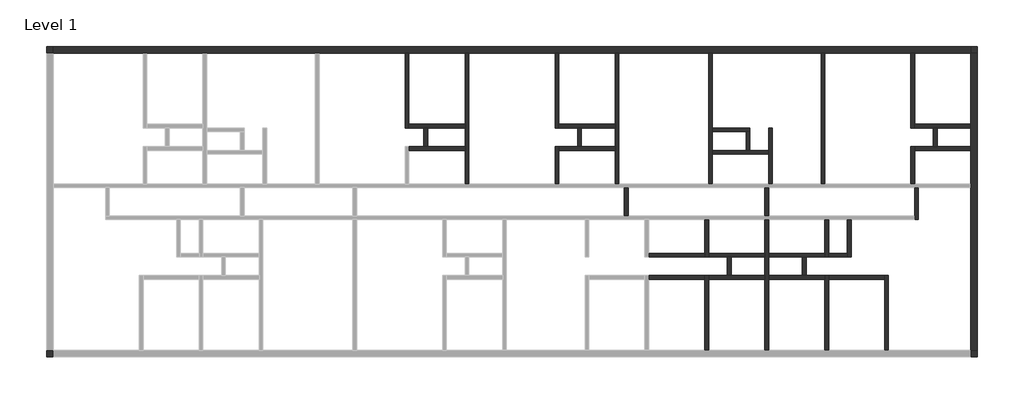
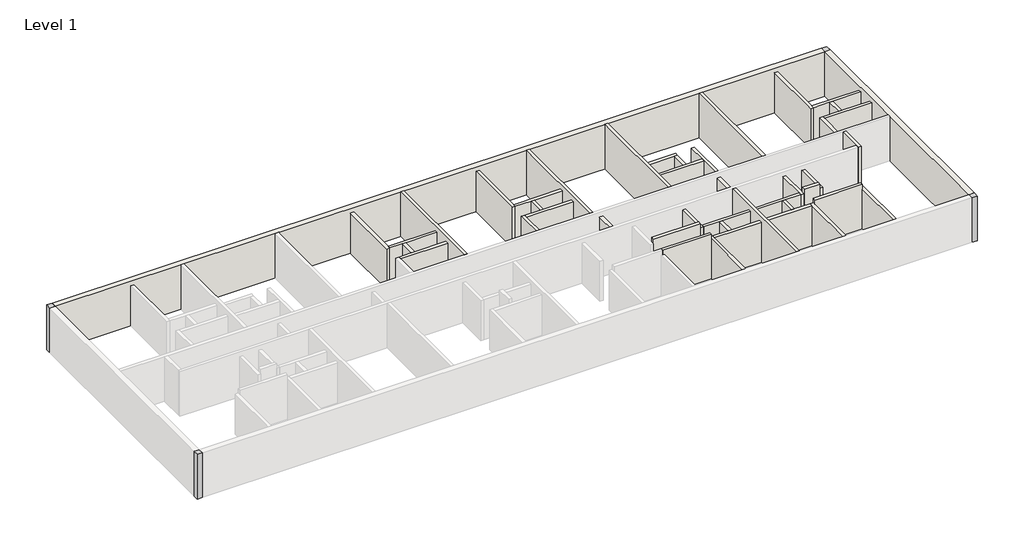
# One storey, part 2 of 2: 44 walls, 4 columns.
"""IFC4 building model written with IfcOpenShell, lengths in millimetres."""

from ifc_helpers import new_model, si_unit, origin, origin_with_axes, place, context, project, spatial, polyline, outline, extrude, faceted_brep, element, save

model = new_model("IFC4")

# Units and contexts
model_context = context("Model", 3, world=origin())
ifc_project = project(units=[si_unit("LENGTHUNIT", "METRE", prefix="MILLI")], contexts=[model_context])

# Site, building, storey
site = spatial("IfcSite", under=ifc_project)
building = spatial("IfcBuilding", under=site)
storey = spatial("IfcBuildingStorey", under=building, Name="Level 1", Elevation=0.0)

# Columns
placement = place(None, origin())
element("IfcColumn", 1, ObjectType="M_Rectangular Column : 350 x 350mm", at=placement, inside=storey, context=model_context, shape_type="SweptSolid", body=[
    extrude(outline(polyline([(-17287.4016911, 17873.9820231), (-17287.4016911, 17523.9820231), (-17637.4016911, 17523.9820231), (-17637.4016911, 17873.9820231), (-17287.4016911, 17873.9820231)])), origin_with_axes(), (0.0, 0.0, 1.0), 3000.0),
])
element("IfcColumn", 2, ObjectType="M_Rectangular Column : 350 x 350mm", at=placement, inside=storey, context=model_context, shape_type="SweptSolid", body=[
    extrude(outline(polyline([(-17287.4016911, 1273.982023), (-17637.4016911, 1273.982023), (-17637.4016911, 1623.982023), (-17287.4016911, 1623.982023), (-17287.4016911, 1273.982023)])), origin_with_axes(), (0.0, 0.0, 1.0), 3000.0),
])
element("IfcColumn", 3, ObjectType="M_Rectangular Column : 350 x 350mm", at=placement, inside=storey, context=model_context, shape_type="SweptSolid", body=[
    extrude(outline(polyline([(32062.5983088, 1273.982023), (31712.5983088, 1273.982023), (31712.5983088, 1623.982023), (32062.5983088, 1623.982023), (32062.5983088, 1273.982023)])), origin_with_axes(), (0.0, 0.0, 1.0), 3000.0),
])
element("IfcColumn", 4, ObjectType="M_Rectangular Column : 350 x 350mm", at=placement, inside=storey, context=model_context, shape_type="SweptSolid", body=[
    extrude(outline(polyline([(32062.5983088, 17523.9820231), (31712.5983088, 17523.9820231), (31712.5983088, 17873.9820231), (32062.5983088, 17873.9820231), (32062.5983088, 17523.9820231)])), origin_with_axes(), (0.0, 0.0, 1.0), 3000.0),
])

# Walls
element("IfcWall", 5, ObjectType="Exterior_350", at=placement, inside=storey, context=model_context, shape_type="SweptSolid", body=[
    extrude(outline(polyline([(31712.5983088, 17523.9820231), (-17287.4016911, 17523.9820231), (-17287.4016911, 17873.9820231), (31712.5983088, 17873.9820231), (31712.5983088, 17523.9820231)])), origin_with_axes(), (0.0, 0.0, 1.0), 3000.0),
])
element("IfcWall", 6, ObjectType="Exterior_350", at=placement, inside=storey, context=model_context, shape_type="SweptSolid", body=[
    extrude(outline(polyline([(31712.5983088, 1623.982023), (31712.5983088, 17523.9820231), (32062.5983088, 17523.9820231), (32062.5983088, 1623.982023), (31712.5983088, 1623.982023)])), origin_with_axes(), (0.0, 0.0, 1.0), 3000.0),
])
element("IfcWall", 7, ObjectType="Interior_200", at=placement, inside=storey, context=model_context, shape_type="Brep", body=[
    faceted_brep([(1712.5983088, 13523.9820231, 0.0), (1712.5983088, 13723.9820231, 0.0), (1712.5983088, 17523.9820231, 0.0), (1712.5983088, 17523.9820231, 2700.0), (1712.5983088, 13723.9820231, 2700.0), (1712.5983088, 13523.9820231, 2700.0), (1512.5983088, 13523.9820231, 0.0), (1512.5983088, 13523.9820231, 2700.0), (1512.5983088, 17523.9820231, 2700.0), (1512.5983088, 17523.9820231, 0.0)], [[[0, 1, 2, 3, 4, 5]], [[6, 7, 8, 9]], [[2, 1, 0, 6, 9]], [[3, 2, 9, 8]], [[5, 4, 3, 8, 7]], [[0, 5, 7, 6]]]),
])
element("IfcWall", 8, ObjectType="Interior_200", at=placement, inside=storey, context=model_context, shape_type="Brep", body=[
    faceted_brep([(4712.5983089, 13723.9820231, 0.0), (1712.5983088, 13723.9820231, 0.0), (1712.5983088, 13723.9820231, 2700.0), (4712.5983089, 13723.9820231, 2700.0), (4712.5983089, 13523.9820231, 0.0), (4712.5983089, 13523.9820231, 2700.0), (2712.5983089, 13523.9820231, 2700.0), (2512.5983089, 13523.9820231, 2700.0), (1712.5983088, 13523.9820231, 2700.0), (1712.5983088, 13523.9820231, 0.0), (2512.5983089, 13523.9820231, 0.0), (2712.5983089, 13523.9820231, 0.0)], [[[0, 1, 2, 3]], [[4, 5, 6, 7, 8, 9, 10, 11]], [[1, 0, 4, 11, 10, 9]], [[3, 2, 8, 7, 6, 5]], [[2, 1, 9, 8]], [[0, 3, 5, 4]]]),
])
element("IfcWall", 9, ObjectType="Interior_200", at=placement, inside=storey, context=model_context, shape_type="Brep", body=[
    faceted_brep([(1712.5983089, 12323.9820231, 0.0), (4712.5983089, 12323.9820231, 0.0), (4712.5983089, 12323.9820231, 2700.0), (1712.5983089, 12323.9820231, 2700.0), (1712.5983089, 12523.9820231, 0.0), (1712.5983089, 12523.9820231, 2700.0), (2512.5983089, 12523.9820231, 2700.0), (2712.5983089, 12523.9820231, 2700.0), (4712.5983089, 12523.9820231, 2700.0), (4712.5983089, 12523.9820231, 0.0), (2712.5983089, 12523.9820231, 0.0), (2512.5983089, 12523.9820231, 0.0)], [[[0, 1, 2, 3]], [[4, 5, 6, 7, 8, 9, 10, 11]], [[1, 0, 4, 11, 10, 9]], [[3, 2, 8, 7, 6, 5]], [[2, 1, 9, 8]], [[0, 3, 5, 4]]]),
])
element("IfcWall", 10, ObjectType="Interior_200", at=placement, inside=storey, context=model_context, shape_type="SweptSolid", body=[
    extrude(outline(polyline([(2512.5983089, 12523.9820231), (2512.5983089, 13523.9820231), (2712.5983089, 13523.9820231), (2712.5983089, 12523.9820231), (2512.5983089, 12523.9820231)])), origin_with_axes(), (0.0, 0.0, 1.0), 2700.0),
])
element("IfcWall", 11, ObjectType="Interior_200", at=placement, inside=storey, context=model_context, shape_type="Brep", body=[
    faceted_brep([(9512.5983089, 17523.9820231, 0.0), (9512.5983089, 13523.982023, 0.0), (9512.5983089, 13523.982023, 2700.0), (9512.5983089, 17523.9820231, 2700.0), (9712.5983089, 17523.9820231, 0.0), (9712.5983089, 17523.9820231, 2700.0), (9712.5983089, 13723.982023, 2700.0), (9712.5983089, 13523.982023, 2700.0), (9712.5983089, 13523.982023, 0.0), (9712.5983089, 13723.982023, 0.0)], [[[0, 1, 2, 3]], [[4, 5, 6, 7, 8, 9]], [[1, 0, 4, 9, 8]], [[3, 2, 7, 6, 5]], [[0, 3, 5, 4]], [[2, 1, 8, 7]]]),
])
element("IfcWall", 12, ObjectType="Interior_200", at=placement, inside=storey, context=model_context, shape_type="Brep", body=[
    faceted_brep([(9712.5983089, 13523.982023, 0.0), (10712.598309, 13523.982023, 0.0), (10912.598309, 13523.982023, 0.0), (12712.598309, 13523.982023, 0.0), (12712.598309, 13523.982023, 2700.0), (10912.598309, 13523.982023, 2700.0), (10712.598309, 13523.982023, 2700.0), (9712.5983089, 13523.982023, 2700.0), (9712.5983089, 13723.982023, 0.0), (9712.5983089, 13723.982023, 2700.0), (12712.598309, 13723.982023, 2700.0), (12712.598309, 13723.982023, 0.0)], [[[0, 1, 2, 3, 4, 5, 6, 7]], [[8, 9, 10, 11]], [[3, 2, 1, 0, 8, 11]], [[7, 6, 5, 4, 10, 9]], [[0, 7, 9, 8]], [[4, 3, 11, 10]]]),
])
element("IfcWall", 13, ObjectType="Interior_200", at=placement, inside=storey, context=model_context, shape_type="Brep", body=[
    faceted_brep([(9712.598309, 12323.9820231, 0.0), (12712.598309, 12323.9820231, 0.0), (12712.598309, 12323.9820231, 2700.0), (9712.598309, 12323.9820231, 2700.0), (9712.598309, 12523.9820231, 0.0), (9712.598309, 12523.9820231, 2700.0), (10712.598309, 12523.9820231, 2700.0), (10912.598309, 12523.9820231, 2700.0), (12712.598309, 12523.9820231, 2700.0), (12712.598309, 12523.9820231, 0.0), (10912.598309, 12523.9820231, 0.0), (10712.598309, 12523.9820231, 0.0)], [[[0, 1, 2, 3]], [[4, 5, 6, 7, 8, 9, 10, 11]], [[1, 0, 4, 11, 10, 9]], [[3, 2, 8, 7, 6, 5]], [[2, 1, 9, 8]], [[0, 3, 5, 4]]]),
])
element("IfcWall", 14, ObjectType="Interior_200", at=placement, inside=storey, context=model_context, shape_type="Brep", body=[
    faceted_brep([(9712.598309, 10523.9820231, 0.0), (9712.598309, 12323.9820231, 0.0), (9712.598309, 12523.9820231, 0.0), (9712.598309, 12523.9820231, 2700.0), (9712.598309, 12323.9820231, 2700.0), (9712.598309, 10523.9820231, 2700.0), (9512.598309, 10523.9820231, 0.0), (9512.598309, 10523.9820231, 2700.0), (9512.598309, 12523.9820231, 2700.0), (9512.598309, 12523.9820231, 0.0)], [[[0, 1, 2, 3, 4, 5]], [[6, 7, 8, 9]], [[2, 1, 0, 6, 9]], [[5, 4, 3, 8, 7]], [[0, 5, 7, 6]], [[3, 2, 9, 8]]]),
])
element("IfcWall", 15, ObjectType="Interior_200", at=placement, inside=storey, context=model_context, shape_type="Brep", body=[
    faceted_brep([(17912.5983088, 13323.9820231, 0.0), (19712.5983088, 13323.9820231, 0.0), (19912.5983088, 13323.9820231, 0.0), (19912.5983088, 13323.9820231, 2700.0), (19712.5983088, 13323.9820231, 2700.0), (17912.5983088, 13323.9820231, 2700.0), (17912.5983088, 13523.9820231, 0.0), (17912.5983088, 13523.9820231, 2700.0), (19912.5983088, 13523.9820231, 2700.0), (19912.5983088, 13523.9820231, 0.0)], [[[0, 1, 2, 3, 4, 5]], [[6, 7, 8, 9]], [[2, 1, 0, 6, 9]], [[5, 4, 3, 8, 7]], [[3, 2, 9, 8]], [[0, 5, 7, 6]]]),
])
element("IfcWall", 16, ObjectType="Interior_200", at=placement, inside=storey, context=model_context, shape_type="Brep", body=[
    faceted_brep([(20912.5983088, 13523.9820231, 0.0), (20912.5983088, 12323.9820231, 0.0), (20912.5983088, 12123.9820231, 0.0), (20912.5983088, 10523.9820231, 0.0), (20912.5983088, 10523.9820231, 2700.0), (20912.5983088, 12123.9820231, 2700.0), (20912.5983088, 12323.9820231, 2700.0), (20912.5983088, 13523.9820231, 2700.0), (21112.5983088, 13523.9820231, 0.0), (21112.5983088, 13523.9820231, 2700.0), (21112.5983088, 10523.9820231, 2700.0), (21112.5983088, 10523.9820231, 0.0)], [[[0, 1, 2, 3, 4, 5, 6, 7]], [[8, 9, 10, 11]], [[3, 2, 1, 0, 8, 11]], [[7, 6, 5, 4, 10, 9]], [[0, 7, 9, 8]], [[4, 3, 11, 10]]]),
])
element("IfcWall", 17, ObjectType="Interior_200", at=placement, inside=storey, context=model_context, shape_type="Brep", body=[
    faceted_brep([(17912.5983088, 12123.9820231, 0.0), (20912.5983088, 12123.9820231, 0.0), (20912.5983088, 12123.9820231, 2700.0), (17912.5983088, 12123.9820231, 2700.0), (17912.5983088, 12323.9820231, 0.0), (17912.5983088, 12323.9820231, 2700.0), (19712.5983088, 12323.9820231, 2700.0), (19912.5983088, 12323.9820231, 2700.0), (20912.5983088, 12323.9820231, 2700.0), (20912.5983088, 12323.9820231, 0.0), (19912.5983088, 12323.9820231, 0.0), (19712.5983088, 12323.9820231, 0.0)], [[[0, 1, 2, 3]], [[4, 5, 6, 7, 8, 9, 10, 11]], [[1, 0, 4, 11, 10, 9]], [[3, 2, 8, 7, 6, 5]], [[2, 1, 9, 8]], [[0, 3, 5, 4]]]),
])
element("IfcWall", 18, ObjectType="Interior_200", at=placement, inside=storey, context=model_context, shape_type="SweptSolid", body=[
    extrude(outline(polyline([(19712.5983088, 12323.9820231), (19712.5983088, 13323.9820231), (19912.5983088, 13323.9820231), (19912.5983088, 12323.9820231), (19712.5983088, 12323.9820231)])), origin_with_axes(), (0.0, 0.0, 1.0), 2700.0),
])
element("IfcWall", 19, ObjectType="Interior_200", at=placement, inside=storey, context=model_context, shape_type="Brep", body=[
    faceted_brep([(28712.5983089, 12323.9820231, 0.0), (31712.5983088, 12323.9820231, 0.0), (31712.5983088, 12323.9820231, 2700.0), (28712.5983089, 12323.9820231, 2700.0), (28712.5983089, 12523.9820231, 0.0), (28712.5983089, 12523.9820231, 2700.0), (29712.5983089, 12523.9820231, 2700.0), (29912.5983089, 12523.9820231, 2700.0), (31712.5983088, 12523.9820231, 2700.0), (31712.5983088, 12523.9820231, 0.0), (29912.5983089, 12523.9820231, 0.0), (29712.5983089, 12523.9820231, 0.0)], [[[0, 1, 2, 3]], [[4, 5, 6, 7, 8, 9, 10, 11]], [[1, 0, 4, 11, 10, 9]], [[2, 1, 9, 8]], [[3, 2, 8, 7, 6, 5]], [[0, 3, 5, 4]]]),
])
element("IfcWall", 20, ObjectType="Interior_200", at=placement, inside=storey, context=model_context, shape_type="Brep", body=[
    faceted_brep([(28712.5983089, 10523.9820231, 0.0), (28712.5983089, 12323.9820231, 0.0), (28712.5983089, 12523.9820231, 0.0), (28712.5983089, 12523.9820231, 2700.0), (28712.5983089, 12323.9820231, 2700.0), (28712.5983089, 10523.9820231, 2700.0), (28512.5983089, 10523.9820231, 0.0), (28512.5983089, 10523.9820231, 2700.0), (28512.5983089, 12523.9820231, 2700.0), (28512.5983089, 12523.9820231, 0.0)], [[[0, 1, 2, 3, 4, 5]], [[6, 7, 8, 9]], [[2, 1, 0, 6, 9]], [[5, 4, 3, 8, 7]], [[0, 5, 7, 6]], [[3, 2, 9, 8]]]),
])
element("IfcWall", 21, ObjectType="Interior_200", at=placement, inside=storey, context=model_context, shape_type="Brep", body=[
    faceted_brep([(28512.5983089, 17523.9820231, 0.0), (28512.5983089, 13523.9820231, 0.0), (28512.5983089, 13523.9820231, 2700.0), (28512.5983089, 17523.9820231, 2700.0), (28712.5983089, 17523.9820231, 0.0), (28712.5983089, 17523.9820231, 2700.0), (28712.5983089, 13723.9820231, 2700.0), (28712.5983089, 13523.9820231, 2700.0), (28712.5983089, 13523.9820231, 0.0), (28712.5983089, 13723.9820231, 0.0)], [[[0, 1, 2, 3]], [[4, 5, 6, 7, 8, 9]], [[1, 0, 4, 9, 8]], [[3, 2, 7, 6, 5]], [[0, 3, 5, 4]], [[2, 1, 8, 7]]]),
])
element("IfcWall", 22, ObjectType="Interior_200", at=placement, inside=storey, context=model_context, shape_type="Brep", body=[
    faceted_brep([(27312.5983088, 1623.982023, 0.0), (27312.5983088, 5623.9820231, 0.0), (27312.5983088, 5623.9820231, 2700.0), (27312.5983088, 1623.982023, 2700.0), (27112.5983088, 1623.982023, 0.0), (27112.5983088, 1623.982023, 2700.0), (27112.5983088, 5623.9820231, 2700.0), (27112.5983088, 5623.9820231, 0.0), (27112.5983088, 5423.9820231, 0.0)], [[[0, 1, 2, 3]], [[4, 5, 6, 7, 8]], [[1, 0, 4, 8, 7]], [[3, 2, 6, 5]], [[0, 3, 5, 4]], [[2, 1, 7, 6]]]),
])
element("IfcWall", 23, ObjectType="Interior_200", at=placement, inside=storey, context=model_context, shape_type="Brep", body=[
    faceted_brep([(23912.5983088, 5623.9820231, 0.0), (22912.5983088, 5623.9820231, 0.0), (22712.5983088, 5623.9820231, 0.0), (20912.5983088, 5623.9820231, 0.0), (20912.5983088, 5623.9820231, 2700.0), (22712.5983088, 5623.9820231, 2700.0), (22912.5983088, 5623.9820231, 2700.0), (23912.5983088, 5623.9820231, 2700.0), (23912.5983088, 5423.9820231, 0.0), (23912.5983088, 5423.9820231, 2700.0), (20912.5983088, 5423.9820231, 2700.0), (20912.5983088, 5423.9820231, 0.0)], [[[0, 1, 2, 3, 4, 5, 6, 7]], [[8, 9, 10, 11]], [[3, 2, 1, 0, 8, 11]], [[7, 6, 5, 4, 10, 9]], [[4, 3, 11, 10]], [[0, 7, 9, 8]]]),
])
element("IfcWall", 24, ObjectType="Interior_200", at=placement, inside=storey, context=model_context, shape_type="Brep", body=[
    faceted_brep([(23912.5983088, 6823.9820231, 0.0), (20912.5983088, 6823.9820231, 0.0), (20912.5983088, 6823.9820231, 2700.0), (23912.5983088, 6823.9820231, 2700.0), (23912.5983088, 6623.9820231, 0.0), (23912.5983088, 6623.9820231, 2700.0), (22912.5983088, 6623.9820231, 2700.0), (22712.5983088, 6623.9820231, 2700.0), (20912.5983088, 6623.9820231, 2700.0), (20912.5983088, 6623.9820231, 0.0), (22712.5983088, 6623.9820231, 0.0), (22912.5983088, 6623.9820231, 0.0)], [[[0, 1, 2, 3]], [[4, 5, 6, 7, 8, 9, 10, 11]], [[1, 0, 4, 11, 10, 9]], [[3, 2, 8, 7, 6, 5]], [[2, 1, 9, 8]], [[0, 3, 5, 4]]]),
])
element("IfcWall", 25, ObjectType="Interior_200", at=placement, inside=storey, context=model_context, shape_type="Brep", body=[
    faceted_brep([(24112.5983088, 6623.9820231, 0.0), (24112.5983088, 6823.9820231, 0.0), (24112.5983088, 8623.9820231, 0.0), (24112.5983088, 8623.9820231, 2700.0), (24112.5983088, 6623.9820231, 2700.0), (23912.5983088, 6623.9820231, 0.0), (23912.5983088, 6623.9820231, 2700.0), (23912.5983088, 6823.9820231, 2700.0), (23912.5983088, 8623.9820231, 2700.0), (23912.5983088, 8623.9820231, 0.0), (23912.5983088, 6823.9820231, 0.0)], [[[0, 1, 2, 3, 4]], [[5, 6, 7, 8, 9, 10]], [[2, 1, 0, 5, 10, 9]], [[4, 3, 8, 7, 6]], [[3, 2, 9, 8]], [[0, 4, 6, 5]]]),
])
element("IfcWall", 26, ObjectType="Interior_200", at=placement, inside=storey, context=model_context, shape_type="Brep", body=[
    faceted_brep([(25312.5983088, 6623.9820231, 0.0), (25312.5983088, 8623.9820231, 0.0), (25312.5983088, 8623.9820231, 2700.0), (25312.5983088, 6623.9820231, 2700.0), (25112.5983088, 6623.9820231, 0.0), (25112.5983088, 6623.9820231, 2700.0), (25112.5983088, 8623.9820231, 2700.0), (25112.5983088, 8623.9820231, 0.0), (25112.5983088, 6823.9820231, 0.0)], [[[0, 1, 2, 3]], [[4, 5, 6, 7, 8]], [[1, 0, 4, 8, 7]], [[3, 2, 6, 5]], [[2, 1, 7, 6]], [[0, 3, 5, 4]]]),
])
element("IfcWall", 27, ObjectType="Interior_200", at=placement, inside=storey, context=model_context, shape_type="Brep", body=[
    faceted_brep([(20712.5983088, 6823.9820231, 0.0), (17712.5983089, 6823.9820231, 0.0), (17712.5983089, 6823.9820231, 2700.0), (20712.5983088, 6823.9820231, 2700.0), (20712.5983088, 6623.9820231, 0.0), (20712.5983088, 6623.9820231, 2700.0), (18912.5983088, 6623.9820231, 2700.0), (18712.5983088, 6623.9820231, 2700.0), (17712.5983089, 6623.9820231, 2700.0), (17712.5983089, 6623.9820231, 0.0), (18712.5983088, 6623.9820231, 0.0), (18912.5983088, 6623.9820231, 0.0)], [[[0, 1, 2, 3]], [[4, 5, 6, 7, 8, 9, 10, 11]], [[1, 0, 4, 11, 10, 9]], [[3, 2, 8, 7, 6, 5]], [[0, 3, 5, 4]], [[2, 1, 9, 8]]]),
])
element("IfcWall", 28, ObjectType="Interior_200", at=placement, inside=storey, context=model_context, shape_type="Brep", body=[
    faceted_brep([(20712.5983088, 5623.982023, 0.0), (18912.5983088, 5623.982023, 0.0), (18712.5983088, 5623.982023, 0.0), (17712.5983089, 5623.982023, 0.0), (17712.5983089, 5623.982023, 2700.0), (18712.5983088, 5623.982023, 2700.0), (18912.5983088, 5623.982023, 2700.0), (20712.5983088, 5623.982023, 2700.0), (20712.5983088, 5423.982023, 0.0), (20712.5983088, 5423.982023, 2700.0), (17712.5983089, 5423.982023, 2700.0), (17712.5983089, 5423.982023, 0.0)], [[[0, 1, 2, 3, 4, 5, 6, 7]], [[8, 9, 10, 11]], [[3, 2, 1, 0, 8, 11]], [[7, 6, 5, 4, 10, 9]], [[0, 7, 9, 8]], [[4, 3, 11, 10]]]),
])
element("IfcWall", 29, ObjectType="Interior_200", at=placement, inside=storey, context=model_context, shape_type="Brep", body=[
    faceted_brep([(17512.5983089, 5623.982023, 0.0), (17512.5983089, 5423.9820231, 0.0), (17512.5983089, 1623.982023, 0.0), (17512.5983089, 1623.982023, 2700.0), (17512.5983089, 5623.982023, 2700.0), (17712.5983089, 5623.982023, 0.0), (17712.5983089, 5623.982023, 2700.0), (17712.5983089, 5423.982023, 2700.0), (17712.5983089, 1623.982023, 2700.0), (17712.5983089, 1623.982023, 0.0), (17712.5983089, 5423.982023, 0.0)], [[[0, 1, 2, 3, 4]], [[5, 6, 7, 8, 9, 10]], [[2, 1, 0, 5, 10, 9]], [[3, 2, 9, 8]], [[4, 3, 8, 7, 6]], [[0, 4, 6, 5]]]),
])
element("IfcWall", 30, ObjectType="Interior_200", at=placement, inside=storey, context=model_context, shape_type="Brep", body=[
    faceted_brep([(17512.5983089, 8623.9820231, 0.0), (17512.5983089, 6823.9820231, 0.0), (17512.5983089, 6623.9820231, 0.0), (17512.5983089, 6623.9820231, 2700.0), (17512.5983089, 8623.9820231, 2700.0), (17712.5983089, 8623.9820231, 0.0), (17712.5983089, 8623.9820231, 2700.0), (17712.5983089, 6823.9820231, 2700.0), (17712.5983089, 6623.9820231, 2700.0), (17712.5983089, 6623.9820231, 0.0), (17712.5983089, 6823.9820231, 0.0)], [[[0, 1, 2, 3, 4]], [[5, 6, 7, 8, 9, 10]], [[2, 1, 0, 5, 10, 9]], [[4, 3, 8, 7, 6]], [[0, 4, 6, 5]], [[3, 2, 9, 8]]]),
])
element("IfcWall", 31, ObjectType="Interior_200", at=placement, inside=storey, context=model_context, shape_type="Brep", body=[
    faceted_brep([(24112.5983088, 1623.982023, 0.0), (24112.5983088, 5423.9820231, 0.0), (24112.5983088, 5623.9820231, 0.0), (24112.5983088, 5623.9820231, 2700.0), (24112.5983088, 1623.982023, 2700.0), (23912.5983088, 1623.982023, 0.0), (23912.5983088, 1623.982023, 2700.0), (23912.5983088, 5423.9820231, 2700.0), (23912.5983088, 5623.9820231, 2700.0), (23912.5983088, 5623.9820231, 0.0), (23912.5983088, 5423.9820231, 0.0)], [[[0, 1, 2, 3, 4]], [[5, 6, 7, 8, 9, 10]], [[2, 1, 0, 5, 10, 9]], [[4, 3, 8, 7, 6]], [[0, 4, 6, 5]], [[3, 2, 9, 8]]]),
])
element("IfcWall", 32, ObjectType="Interior_200", at=placement, inside=storey, context=model_context, shape_type="SweptSolid", body=[
    extrude(outline(polyline([(20912.5983088, 10323.9820231), (20912.5983088, 8823.9820231), (20712.5983088, 8823.9820231), (20712.5983088, 10323.9820231), (20912.5983088, 10323.9820231)])), origin_with_axes(), (0.0, 0.0, 1.0), 2700.0),
])
element("IfcWall", 33, ObjectType="Interior_200", at=placement, inside=storey, context=model_context, shape_type="SweptSolid", body=[
    extrude(outline(polyline([(13412.5983089, 10323.9820231), (13412.5983089, 8823.9820231), (13212.5983089, 8823.9820231), (13212.5983089, 10323.9820231), (13412.5983089, 10323.9820231)])), origin_with_axes(), (0.0, 0.0, 1.0), 2700.0),
])
element("IfcWall", 34, ObjectType="Interior_200", at=placement, inside=storey, context=model_context, shape_type="SweptSolid", body=[
    extrude(outline(polyline([(22712.5983088, 5623.9820231), (22712.5983088, 6623.9820231), (22912.5983088, 6623.9820231), (22912.5983088, 5623.9820231), (22712.5983088, 5623.9820231)])), origin_with_axes(), (0.0, 0.0, 1.0), 2700.0),
])
element("IfcWall", 35, ObjectType="Interior_200", at=placement, inside=storey, context=model_context, shape_type="SweptSolid", body=[
    extrude(outline(polyline([(18712.5983088, 5623.982023), (18712.5983088, 6623.9820231), (18912.5983088, 6623.9820231), (18912.5983088, 5623.982023), (18712.5983088, 5623.982023)])), origin_with_axes(), (0.0, 0.0, 1.0), 2700.0),
])
element("IfcWall", 36, ObjectType="Interior_200", at=placement, inside=storey, context=model_context, shape_type="SweptSolid", body=[
    extrude(outline(polyline([(10712.598309, 12523.9820231), (10712.598309, 13523.982023), (10912.598309, 13523.982023), (10912.598309, 12523.9820231), (10712.598309, 12523.9820231)])), origin_with_axes(), (0.0, 0.0, 1.0), 2700.0),
])
element("IfcWall", 37, ObjectType="Interior_200", at=placement, inside=storey, context=model_context, shape_type="Brep", body=[
    faceted_brep([(28712.5983089, 13523.9820231, 0.0), (29712.5983089, 13523.9820231, 0.0), (29912.5983089, 13523.9820231, 0.0), (31712.5983088, 13523.9820231, 0.0), (31712.5983088, 13523.9820231, 2700.0), (29912.5983089, 13523.9820231, 2700.0), (29712.5983089, 13523.9820231, 2700.0), (28712.5983089, 13523.9820231, 2700.0), (28712.5983089, 13723.9820231, 0.0), (28712.5983089, 13723.9820231, 2700.0), (31712.5983088, 13723.9820231, 2700.0), (31712.5983088, 13723.9820231, 0.0)], [[[0, 1, 2, 3, 4, 5, 6, 7]], [[8, 9, 10, 11]], [[3, 2, 1, 0, 8, 11]], [[4, 3, 11, 10]], [[7, 6, 5, 4, 10, 9]], [[0, 7, 9, 8]]]),
])
element("IfcWall", 38, ObjectType="Interior_200", at=placement, inside=storey, context=model_context, shape_type="SweptSolid", body=[
    extrude(outline(polyline([(29912.5983089, 13523.9820231), (29912.5983089, 12523.9820231), (29712.5983089, 12523.9820231), (29712.5983089, 13523.9820231), (29912.5983089, 13523.9820231)])), origin_with_axes(), (0.0, 0.0, 1.0), 2700.0),
])
element("IfcWall", 39, ObjectType="Interior_200", at=placement, inside=storey, context=model_context, shape_type="Brep", body=[
    faceted_brep([(17512.5983089, 6823.9820231, 0.0), (14512.5983088, 6823.9820231, 0.0), (14512.5983088, 6823.9820231, 3000.0), (17512.5983089, 6823.9820231, 3000.0), (17512.5983089, 6623.9820231, 0.0), (17512.5983089, 6623.9820231, 2700.0), (17512.5983089, 6623.9820231, 3000.0), (14512.5983088, 6623.9820231, 3000.0), (14512.5983088, 6623.9820231, 0.0)], [[[0, 1, 2, 3]], [[4, 5, 6, 7, 8]], [[1, 0, 4, 8]], [[2, 1, 8, 7]], [[3, 2, 7, 6]], [[0, 3, 6, 5, 4]]]),
])
element("IfcWall", 40, ObjectType="Interior_200", at=placement, inside=storey, context=model_context, shape_type="Brep", body=[
    faceted_brep([(17512.5983089, 5623.9820231, 0.0), (14512.5983088, 5623.9820231, 0.0), (14512.5983088, 5623.9820231, 2700.0), (14412.5983088, 5623.9820231, 2700.0), (14412.5983088, 5623.9820231, 3000.0), (17512.5983089, 5623.9820231, 3000.0), (17512.5983089, 5623.9820231, 2700.0), (17512.5983089, 5423.9820231, 0.0), (17512.5983089, 5423.9820231, 3000.0), (14412.5983088, 5423.9820231, 3000.0), (14412.5983088, 5423.9820231, 2700.0), (14512.5983088, 5423.9820231, 2700.0), (14512.5983088, 5423.9820231, 0.0)], [[[0, 1, 2, 3, 4, 5, 6]], [[7, 8, 9, 10, 11, 12]], [[1, 0, 7, 12]], [[5, 4, 9, 8]], [[0, 6, 5, 8, 7]], [[4, 3, 10, 9]], [[10, 3, 2, 11]], [[2, 1, 12, 11]]]),
])
element("IfcWall", 41, ObjectType="Interior_200", at=placement, inside=storey, context=model_context, shape_type="Brep", body=[
    faceted_brep([(24112.5983088, 5423.9820231, 0.0), (27112.5983088, 5423.9820231, 0.0), (27112.5983088, 5423.9820231, 3000.0), (24112.5983088, 5423.9820231, 3000.0), (24112.5983088, 5623.9820231, 0.0), (24112.5983088, 5623.9820231, 2700.0), (24112.5983088, 5623.9820231, 3000.0), (27112.5983088, 5623.9820231, 3000.0), (27112.5983088, 5623.9820231, 2700.0), (27112.5983088, 5623.9820231, 0.0)], [[[0, 1, 2, 3]], [[4, 5, 6, 7, 8, 9]], [[1, 0, 4, 9]], [[3, 2, 7, 6]], [[2, 1, 9, 8, 7]], [[0, 3, 6, 5, 4]]]),
])
element("IfcWall", 42, ObjectType="Interior_200", at=placement, inside=storey, context=model_context, shape_type="Brep", body=[
    faceted_brep([(24112.5983088, 6623.9820231, 0.0), (25112.5983088, 6623.9820231, 0.0), (25112.5983088, 6623.9820231, 2700.0), (25112.5983088, 6623.9820231, 3000.0), (24112.5983088, 6623.9820231, 3000.0), (24112.5983088, 6623.9820231, 2700.0), (24112.5983088, 6823.9820231, 0.0), (24112.5983088, 6823.9820231, 3000.0), (25112.5983088, 6823.9820231, 3000.0), (25112.5983088, 6823.9820231, 0.0)], [[[0, 1, 2, 3, 4, 5]], [[6, 7, 8, 9]], [[1, 0, 6, 9]], [[4, 3, 8, 7]], [[0, 5, 4, 7, 6]], [[3, 2, 1, 9, 8]]]),
])
element("IfcWall", 43, ObjectType="Party walls", at=placement, inside=storey, context=model_context, shape_type="Brep", body=[
    faceted_brep([(28912.5983088, 8623.9820231, 0.0), (28912.5983088, 10323.9820231, 0.0), (28912.5983088, 10323.9820231, 3000.0), (28912.5983088, 8623.9820231, 3000.0), (28712.5983088, 8623.9820231, 0.0), (28712.5983088, 8623.9820231, 3000.0), (28712.5983088, 8823.9820231, 3000.0), (28712.5983088, 10323.9820231, 3000.0), (28712.5983088, 10323.9820231, 0.0), (28712.5983088, 8823.9820231, 0.0)], [[[0, 1, 2, 3]], [[4, 5, 6, 7, 8, 9]], [[1, 0, 4, 9, 8]], [[3, 2, 7, 6, 5]], [[2, 1, 8, 7]], [[0, 3, 5, 4]]]),
])
element("IfcWall", 44, ObjectType="Party walls", at=placement, inside=storey, context=model_context, shape_type="Brep", body=[
    faceted_brep([(4912.5983089, 10523.9820231, 0.0), (4912.5983089, 17523.9820231, 0.0), (4912.5983089, 17523.9820231, 3000.0), (4912.5983089, 10523.9820231, 3000.0), (4712.5983089, 10523.9820231, 0.0), (4712.5983089, 10523.9820231, 3000.0), (4712.5983089, 17523.9820231, 3000.0), (4712.5983089, 17523.9820231, 0.0), (4712.5983089, 13723.9820231, 0.0), (4712.5983089, 13523.9820231, 0.0), (4712.5983089, 12523.9820231, 0.0), (4712.5983089, 12323.9820231, 0.0)], [[[0, 1, 2, 3]], [[4, 5, 6, 7, 8, 9, 10, 11]], [[1, 0, 4, 11, 10, 9, 8, 7]], [[2, 1, 7, 6]], [[3, 2, 6, 5]], [[0, 3, 5, 4]]]),
])
element("IfcWall", 45, ObjectType="Party walls", at=placement, inside=storey, context=model_context, shape_type="Brep", body=[
    faceted_brep([(12912.598309, 10523.9820231, 0.0), (12912.598309, 17523.9820231, 0.0), (12912.598309, 17523.9820231, 3000.0), (12912.598309, 10523.9820231, 3000.0), (12712.598309, 10523.9820231, 0.0), (12712.598309, 10523.9820231, 3000.0), (12712.598309, 17523.9820231, 3000.0), (12712.598309, 17523.9820231, 0.0), (12712.598309, 13723.982023, 0.0), (12712.598309, 13523.982023, 0.0), (12712.598309, 12523.9820231, 0.0), (12712.598309, 12323.9820231, 0.0)], [[[0, 1, 2, 3]], [[4, 5, 6, 7, 8, 9, 10, 11]], [[1, 0, 4, 11, 10, 9, 8, 7]], [[2, 1, 7, 6]], [[3, 2, 6, 5]], [[0, 3, 5, 4]]]),
])
element("IfcWall", 46, ObjectType="Party walls", at=placement, inside=storey, context=model_context, shape_type="Brep", body=[
    faceted_brep([(17912.5983088, 10523.9820231, 0.0), (17912.5983088, 12123.9820231, 0.0), (17912.5983088, 12323.9820231, 0.0), (17912.5983088, 13323.9820231, 0.0), (17912.5983088, 13523.9820231, 0.0), (17912.5983088, 17523.9820231, 0.0), (17912.5983088, 17523.9820231, 3000.0), (17912.5983088, 10523.9820231, 3000.0), (17712.5983088, 10523.9820231, 0.0), (17712.5983088, 10523.9820231, 3000.0), (17712.5983088, 17523.9820231, 3000.0), (17712.5983088, 17523.9820231, 0.0)], [[[0, 1, 2, 3, 4, 5, 6, 7]], [[8, 9, 10, 11]], [[5, 4, 3, 2, 1, 0, 8, 11]], [[6, 5, 11, 10]], [[7, 6, 10, 9]], [[0, 7, 9, 8]]]),
])
element("IfcWall", 47, ObjectType="Party walls", at=placement, inside=storey, context=model_context, shape_type="SweptSolid", body=[
    extrude(outline(polyline([(23912.5983088, 17523.9820231), (23912.5983088, 10523.9820231), (23712.5983088, 10523.9820231), (23712.5983088, 17523.9820231), (23912.5983088, 17523.9820231)])), origin_with_axes(), (0.0, 0.0, 1.0), 3000.0),
])
element("IfcWall", 48, ObjectType="Party walls", at=placement, inside=storey, context=model_context, shape_type="Brep", body=[
    faceted_brep([(20912.5983088, 1623.982023, 0.0), (20912.5983088, 5423.9820231, 0.0), (20912.5983088, 5623.9820231, 0.0), (20912.5983088, 6623.9820231, 0.0), (20912.5983088, 6823.9820231, 0.0), (20912.5983088, 8623.9820231, 0.0), (20912.5983088, 8623.9820231, 3000.0), (20912.5983088, 1623.982023, 3000.0), (20712.5983088, 1623.982023, 0.0), (20712.5983088, 1623.982023, 3000.0), (20712.5983088, 8623.9820231, 3000.0), (20712.5983088, 8623.9820231, 0.0), (20712.5983088, 6823.9820231, 0.0), (20712.5983088, 6623.9820231, 0.0), (20712.5983088, 5623.982023, 0.0), (20712.5983088, 5423.982023, 0.0)], [[[0, 1, 2, 3, 4, 5, 6, 7]], [[8, 9, 10, 11, 12, 13, 14, 15]], [[5, 4, 3, 2, 1, 0, 8, 15, 14, 13, 12, 11]], [[7, 6, 10, 9]], [[0, 7, 9, 8]], [[6, 5, 11, 10]]]),
])

save(model, "model.ifc")
